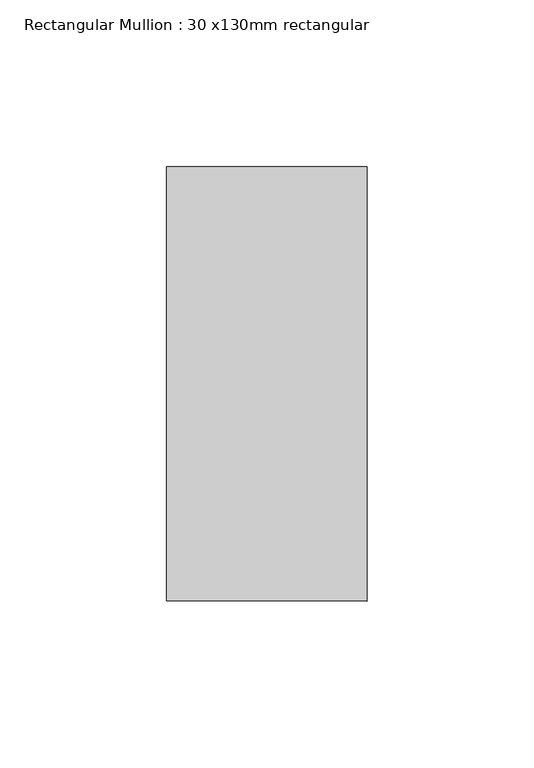
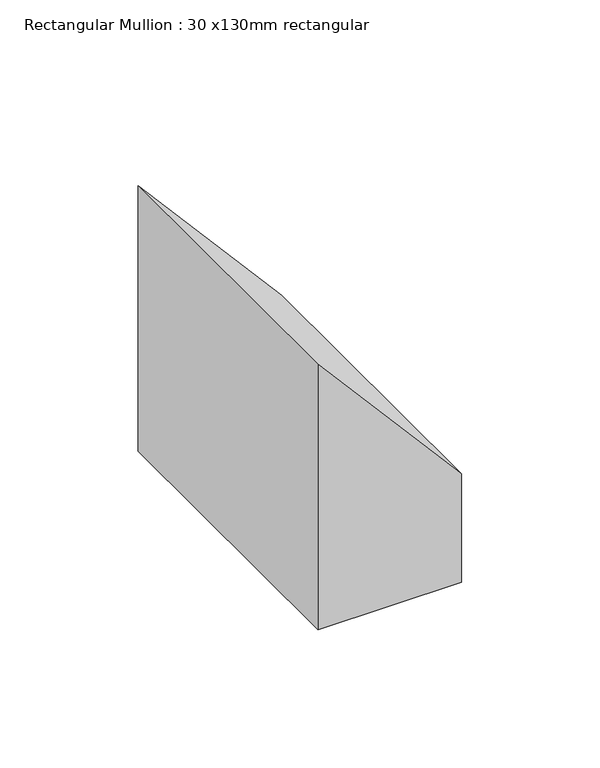
"""IFC4 building model written with IfcOpenShell, lengths in millimetres: member geometry, Rectangular Mullion : 30 x130mm rectangular."""

from ifc_helpers import new_model, si_unit, frame, origin, place, context, project, spatial, polyline, outline, extrude, source, transform, mapped, element, save


def rectangular_mullion_30_x130mm_rectangular_b6b4f331(model_context):
    return source(origin(), model_context, "Body", "SweptSolid", [
        extrude(outline(polyline([(-126.2925301, 30.0), (-57.0104977, -30.0), (-174.0914548, -30.0), (-174.0914548, 30.0), (-126.2925301, 30.0)])), frame((0.0, -65.0, 0.0), z_axis=(0.0, 1.0, 0.0), x_axis=(0.0, 0.0, 1.0)), (0.0, 0.0, 1.0), 130.0),
    ])


if __name__ == "__main__":
    model = new_model("IFC4")
    model_context = context("Model", 3, world=origin())
    ifc_project = project(units=[si_unit("LENGTHUNIT", "METRE", prefix="MILLI")], contexts=[model_context])
    site = spatial("IfcSite", under=ifc_project)
    building = spatial("IfcBuilding", under=site)
    placement = place(None, origin())
    rectangular_mullion_30_x130mm_rectangular_shape = rectangular_mullion_30_x130mm_rectangular_b6b4f331(model_context)
    element("IfcMember", 1, ObjectType="Rectangular Mullion : 30 x130mm rectangular", at=placement, inside=building, context=model_context, shape_type="MappedRepresentation", body=[
        mapped(rectangular_mullion_30_x130mm_rectangular_shape, transform((0.0, 0.0, 0.0), x_axis=(1.0, 0.0, 0.0), y_axis=(0.0, 1.0, 0.0), z_axis=(0.0, 0.0, 1.0))),
    ])
    save(model, "model.ifc")
